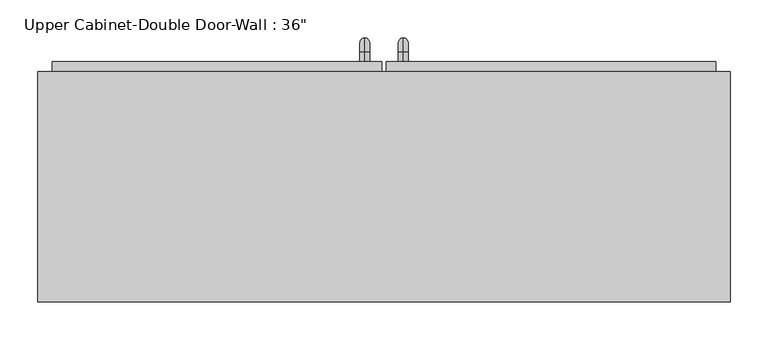
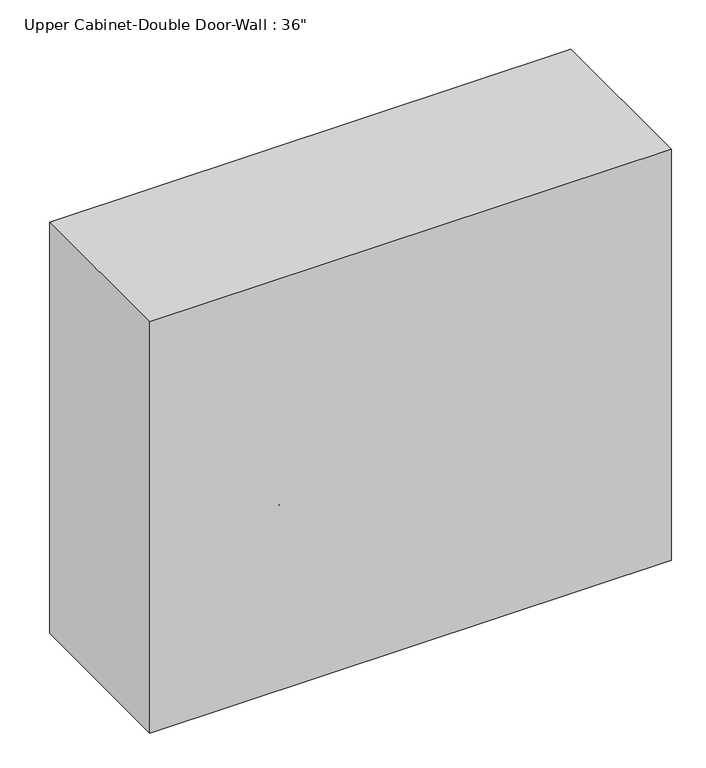
"""IFC4 building model written with IfcOpenShell, lengths in millimetres: furniture geometry."""

from ifc_helpers import new_model, si_unit, point, frame, origin, place, context, project, spatial, polyline, circle_curve, ellipse_curve, trimmed, outline, extrude, faceted_brep, source, transform, mapped, element, save
from ifc_brep_helpers import plane_surface, cylinder_surface, revolved_surface, advanced_brep


def furniture_c4085e4e(model_context):
    return source(origin(), model_context, "Body", "SolidModel", [
        faceted_brep([(-427.4288372, 50.8, 2133.6), (-427.4288372, 50.8, 1371.6), (486.9711628, 50.8, 1371.6), (486.9711628, 50.8, 2133.6), (-427.4288372, 355.6, 2133.6), (486.9711628, 355.6, 2133.6), (486.9711628, 355.6, 1371.6), (-427.4288372, 355.6, 1371.6), (-408.3788372, 355.6, 2114.55), (-408.3788372, 355.6, 1390.65), (467.9211628, 355.6, 1390.65), (467.9211628, 355.6, 2114.55), (467.9211628, 69.85, 2114.55), (-408.3788372, 69.85, 2114.55), (467.9211628, 69.85, 1390.65), (-408.3788372, 69.85, 1390.65)], [[[0, 1, 2, 3]], [[4, 5, 6, 7], [8, 9, 10, 11]], [[1, 0, 4, 7]], [[2, 1, 7, 6]], [[3, 2, 6, 5]], [[0, 3, 5, 4]], [[8, 11, 12, 13]], [[11, 10, 14, 12]], [[10, 9, 15, 14]], [[9, 8, 13, 15]], [[13, 12, 14, 15]]]),
        advanced_brep(
        [(55.1711628, 368.3, 1517.65), (55.1711628, 368.3, 1530.35), (55.1711628, 381.0, 1517.65), (55.1711628, 381.0, 1530.35), (55.1711628, 400.05, 1511.3), (55.1711628, 387.35, 1511.3), (55.1711628, 387.35, 1435.1), (55.1711628, 400.05, 1435.1), (55.1711628, 381.0, 1416.05), (55.1711628, 381.0, 1428.75), (55.1711628, 368.3, 1428.75), (55.1711628, 368.3, 1416.05)],
        [
            (0, 1, circle_curve(frame((55.1711628, 368.3, 1524.0), z_axis=(0.0, -1.0, 0.0), x_axis=(0.0, 0.0, -1.0)), 6.35)),
            (1, 0, circle_curve(frame((55.1711628, 368.3, 1524.0), z_axis=(0.0, -1.0, 0.0), x_axis=(0.0, 0.0, -1.0)), 6.35)),
            (0, 2),
            (2, 3, circle_curve(frame((55.1711628, 381.0, 1524.0), z_axis=(0.0, -1.0, 0.0), x_axis=(0.0, 0.0, -1.0)), 6.35)),
            (3, 1),
            (3, 2, circle_curve(frame((55.1711628, 381.0, 1524.0), z_axis=(0.0, -1.0, 0.0), x_axis=(0.0, 0.0, -1.0)), 6.35)),
            (4, 3, circle_curve(frame((55.1711628, 381.0, 1511.3), z_axis=(1.0, 0.0, 0.0), x_axis=(0.0, 0.0, 1.0)), 19.05)),
            (2, 5, circle_curve(frame((55.1711628, 381.0, 1511.3), z_axis=(-1.0, 0.0, 0.0), x_axis=(0.0, 0.0, 1.0)), 6.35)),
            (5, 4, circle_curve(frame((55.1711628, 393.7, 1511.3), z_axis=(0.0, 0.0, 1.0), x_axis=(0.0, -1.0, 0.0)), 6.35)),
            (4, 5, circle_curve(frame((55.1711628, 393.7, 1511.3), z_axis=(0.0, 0.0, 1.0), x_axis=(0.0, -1.0, 0.0)), 6.35)),
            (5, 6),
            (6, 7, circle_curve(frame((55.1711628, 393.7, 1435.1), z_axis=(0.0, 0.0, 1.0), x_axis=(0.0, -1.0, 0.0)), 6.35)),
            (7, 4),
            (7, 6, circle_curve(frame((55.1711628, 393.7, 1435.1), z_axis=(0.0, 0.0, 1.0), x_axis=(0.0, -1.0, 0.0)), 6.35)),
            (8, 7, circle_curve(frame((55.1711628, 381.0, 1435.1), z_axis=(1.0, 0.0, 0.0), x_axis=(0.0, 1.0, 0.0)), 19.05)),
            (6, 9, circle_curve(frame((55.1711628, 381.0, 1435.1), z_axis=(-1.0, 0.0, 0.0), x_axis=(0.0, 1.0, 0.0)), 6.35)),
            (9, 8, circle_curve(frame((55.1711628, 381.0, 1422.4), z_axis=(0.0, 1.0, 0.0), x_axis=(0.0, 0.0, 1.0)), 6.35)),
            (8, 9, circle_curve(frame((55.1711628, 381.0, 1422.4), z_axis=(0.0, 1.0, 0.0), x_axis=(0.0, 0.0, 1.0)), 6.35)),
            (10, 11, circle_curve(frame((55.1711628, 368.3, 1422.4), z_axis=(0.0, -1.0, 0.0), x_axis=(0.0, 0.0, 1.0)), 6.35)),
            (11, 10, circle_curve(frame((55.1711628, 368.3, 1422.4), z_axis=(0.0, -1.0, 0.0), x_axis=(0.0, 0.0, 1.0)), 6.35)),
            (9, 10),
            (11, 8),
        ],
        [
            plane_surface(frame((48.8211628, 368.3, 1524.0), z_axis=(0.0, -1.0, 0.0), x_axis=(0.0, 0.0, 1.0))),
            cylinder_surface(frame((55.1711628, 368.3, 1524.0), z_axis=(0.0, -1.0, 0.0), x_axis=(0.0, 0.0, -1.0)), 6.35),
            revolved_surface(trimmed(ellipse_curve(frame((55.1711628, 381.0, 1524.0), z_axis=(0.0, -1.0, 0.0), x_axis=(0.0, 0.0, -1.0)), 6.35, 6.35), [point((55.1711628, 381.0, 1517.65))], [point((55.1711628, 381.0, 1530.35))], True, "CARTESIAN"), (55.1711628, 381.0, 1511.3), (-1.0, 0.0, 0.0)),
            revolved_surface(trimmed(ellipse_curve(frame((55.1711628, 381.0, 1524.0), z_axis=(0.0, -1.0, 0.0), x_axis=(0.0, 0.0, -1.0)), 6.35, 6.35), [point((55.1711628, 381.0, 1530.35))], [point((55.1711628, 381.0, 1517.65))], True, "CARTESIAN"), (55.1711628, 381.0, 1511.3), (-1.0, 0.0, 0.0)),
            cylinder_surface(frame((55.1711628, 393.7, 1511.3), z_axis=(0.0, 0.0, 1.0), x_axis=(0.0, -1.0, 0.0)), 6.35),
            revolved_surface(trimmed(ellipse_curve(frame((55.1711628, 393.7, 1435.1), z_axis=(0.0, 0.0, 1.0), x_axis=(0.0, -1.0, 0.0)), 6.35, 6.35), [point((55.1711628, 387.35, 1435.1))], [point((55.1711628, 400.05, 1435.1))], True, "CARTESIAN"), (55.1711628, 381.0, 1435.1), (-1.0, 0.0, 0.0)),
            revolved_surface(trimmed(ellipse_curve(frame((55.1711628, 393.7, 1435.1), z_axis=(0.0, 0.0, 1.0), x_axis=(0.0, -1.0, 0.0)), 6.35, 6.35), [point((55.1711628, 400.05, 1435.1))], [point((55.1711628, 387.35, 1435.1))], True, "CARTESIAN"), (55.1711628, 381.0, 1435.1), (-1.0, 0.0, 0.0)),
            plane_surface(frame((48.8211628, 368.3, 1422.4), z_axis=(0.0, -1.0, 0.0), x_axis=(0.0, 0.0, -1.0))),
            cylinder_surface(frame((55.1711628, 381.0, 1422.4), z_axis=(0.0, 1.0, 0.0), x_axis=(0.0, 0.0, 1.0)), 6.35),
        ],
        [
            (0, [[1, 2]]),
            (1, [[-1, 3, 4, 5]]),
            (1, [[-2, -5, 6, -3]]),
            (2, [[7, -4, 8, 9]]),
            (3, [[-8, -6, -7, 10]]),
            (4, [[-9, 11, 12, 13]]),
            (4, [[-10, -13, 14, -11]]),
            (5, [[15, -12, 16, 17]]),
            (6, [[-16, -14, -15, 18]]),
            (7, [[19, 20]]),
            (8, [[-17, 21, -20, 22]]),
            (8, [[-18, -22, -19, -21]]),
        ],
    ),
        advanced_brep(
        [(4.3711628, 368.3, 1517.65), (4.3711628, 368.3, 1530.35), (4.3711628, 381.0, 1517.65), (4.3711628, 381.0, 1530.35), (4.3711628, 400.05, 1511.3), (4.3711628, 387.35, 1511.3), (4.3711628, 387.35, 1435.1), (4.3711628, 400.05, 1435.1), (4.3711628, 381.0, 1416.05), (4.3711628, 381.0, 1428.75), (4.3711628, 368.3, 1428.75), (4.3711628, 368.3, 1416.05)],
        [
            (0, 1, circle_curve(frame((4.3711628, 368.3, 1524.0), z_axis=(0.0, -1.0, 0.0), x_axis=(0.0, 0.0, 1.0)), 6.35)),
            (1, 0, circle_curve(frame((4.3711628, 368.3, 1524.0), z_axis=(0.0, -1.0, 0.0), x_axis=(0.0, 0.0, 1.0)), 6.35)),
            (0, 2),
            (2, 3, circle_curve(frame((4.3711628, 381.0, 1524.0), z_axis=(0.0, -1.0, 0.0), x_axis=(0.0, 0.0, 1.0)), 6.35)),
            (3, 1),
            (3, 2, circle_curve(frame((4.3711628, 381.0, 1524.0), z_axis=(0.0, -1.0, 0.0), x_axis=(0.0, 0.0, 1.0)), 6.35)),
            (4, 3, circle_curve(frame((4.3711628, 381.0, 1511.3), z_axis=(1.0, 0.0, 0.0), x_axis=(0.0, 0.0, 1.0)), 19.05)),
            (2, 5, circle_curve(frame((4.3711628, 381.0, 1511.3), z_axis=(-1.0, 0.0, 0.0), x_axis=(0.0, 0.0, 1.0)), 6.35)),
            (5, 4, circle_curve(frame((4.3711628, 393.7, 1511.3), z_axis=(0.0, 0.0, 1.0), x_axis=(0.0, 1.0, 0.0)), 6.35)),
            (4, 5, circle_curve(frame((4.3711628, 393.7, 1511.3), z_axis=(0.0, 0.0, 1.0), x_axis=(0.0, 1.0, 0.0)), 6.35)),
            (5, 6),
            (6, 7, circle_curve(frame((4.3711628, 393.7, 1435.1), z_axis=(0.0, 0.0, 1.0), x_axis=(0.0, 1.0, 0.0)), 6.35)),
            (7, 4),
            (7, 6, circle_curve(frame((4.3711628, 393.7, 1435.1), z_axis=(0.0, 0.0, 1.0), x_axis=(0.0, 1.0, 0.0)), 6.35)),
            (8, 7, circle_curve(frame((4.3711628, 381.0, 1435.1), z_axis=(1.0, 0.0, 0.0), x_axis=(0.0, 1.0, 0.0)), 19.05)),
            (6, 9, circle_curve(frame((4.3711628, 381.0, 1435.1), z_axis=(-1.0, 0.0, 0.0), x_axis=(0.0, 1.0, 0.0)), 6.35)),
            (9, 8, circle_curve(frame((4.3711628, 381.0, 1422.4), z_axis=(0.0, 1.0, 0.0), x_axis=(0.0, 0.0, -1.0)), 6.35)),
            (8, 9, circle_curve(frame((4.3711628, 381.0, 1422.4), z_axis=(0.0, 1.0, 0.0), x_axis=(0.0, 0.0, -1.0)), 6.35)),
            (10, 11, circle_curve(frame((4.3711628, 368.3, 1422.4), z_axis=(0.0, -1.0, 0.0), x_axis=(0.0, 0.0, -1.0)), 6.35)),
            (11, 10, circle_curve(frame((4.3711628, 368.3, 1422.4), z_axis=(0.0, -1.0, 0.0), x_axis=(0.0, 0.0, -1.0)), 6.35)),
            (9, 10),
            (11, 8),
        ],
        [
            plane_surface(frame((-1.9788372, 368.3, 1524.0), z_axis=(0.0, -1.0, 0.0), x_axis=(0.0, 0.0, 1.0))),
            cylinder_surface(frame((4.3711628, 368.3, 1524.0), z_axis=(0.0, -1.0, 0.0), x_axis=(0.0, 0.0, 1.0)), 6.35),
            revolved_surface(trimmed(ellipse_curve(frame((4.3711628, 381.0, 1524.0), z_axis=(0.0, -1.0, 0.0), x_axis=(0.0, 0.0, 1.0)), 6.35, 6.35), [point((4.3711628, 381.0, 1517.65))], [point((4.3711628, 381.0, 1530.35))], True, "CARTESIAN"), (4.3711628, 381.0, 1511.3), (-1.0, 0.0, 0.0)),
            revolved_surface(trimmed(ellipse_curve(frame((4.3711628, 381.0, 1524.0), z_axis=(0.0, -1.0, 0.0), x_axis=(0.0, 0.0, 1.0)), 6.35, 6.35), [point((4.3711628, 381.0, 1530.35))], [point((4.3711628, 381.0, 1517.65))], True, "CARTESIAN"), (4.3711628, 381.0, 1511.3), (-1.0, 0.0, 0.0)),
            cylinder_surface(frame((4.3711628, 393.7, 1511.3), z_axis=(0.0, 0.0, 1.0), x_axis=(0.0, 1.0, 0.0)), 6.35),
            revolved_surface(trimmed(ellipse_curve(frame((4.3711628, 393.7, 1435.1), z_axis=(0.0, 0.0, 1.0), x_axis=(0.0, 1.0, 0.0)), 6.35, 6.35), [point((4.3711628, 387.35, 1435.1))], [point((4.3711628, 400.05, 1435.1))], True, "CARTESIAN"), (4.3711628, 381.0, 1435.1), (-1.0, 0.0, 0.0)),
            revolved_surface(trimmed(ellipse_curve(frame((4.3711628, 393.7, 1435.1), z_axis=(0.0, 0.0, 1.0), x_axis=(0.0, 1.0, 0.0)), 6.35, 6.35), [point((4.3711628, 400.05, 1435.1))], [point((4.3711628, 387.35, 1435.1))], True, "CARTESIAN"), (4.3711628, 381.0, 1435.1), (-1.0, 0.0, 0.0)),
            plane_surface(frame((-1.9788372, 368.3, 1422.4), z_axis=(0.0, -1.0, 0.0), x_axis=(0.0, 0.0, -1.0))),
            cylinder_surface(frame((4.3711628, 381.0, 1422.4), z_axis=(0.0, 1.0, 0.0), x_axis=(0.0, 0.0, -1.0)), 6.35),
        ],
        [
            (0, [[1, 2]]),
            (1, [[-1, 3, 4, 5]]),
            (1, [[-2, -5, 6, -3]]),
            (2, [[7, -4, 8, 9]]),
            (3, [[-8, -6, -7, 10]]),
            (4, [[-9, 11, 12, 13]]),
            (4, [[-10, -13, 14, -11]]),
            (5, [[15, -12, 16, 17]]),
            (6, [[-16, -14, -15, 18]]),
            (7, [[19, 20]]),
            (8, [[-17, 21, -20, 22]]),
            (8, [[-18, -22, -19, -21]]),
        ],
    ),
        extrude(outline(polyline([(32.9461628, 368.3), (467.9211628, 368.3), (467.9211628, 336.55), (32.9461628, 336.55), (32.9461628, 368.3)])), frame((0.0, 0.0, 1390.65), z_axis=(0.0, 0.0, 1.0), x_axis=(1.0, 0.0, 0.0)), (0.0, 0.0, 1.0), 723.9),
        extrude(outline(polyline([(-408.3788372, 368.3), (26.5961628, 368.3), (26.5961628, 336.55), (-408.3788372, 336.55), (-408.3788372, 368.3)])), frame((0.0, 0.0, 1390.65), z_axis=(0.0, 0.0, 1.0), x_axis=(1.0, 0.0, 0.0)), (0.0, 0.0, 1.0), 723.9),
    ])


if __name__ == "__main__":
    model = new_model("IFC4")
    model_context = context("Model", 3, world=origin())
    ifc_project = project(units=[si_unit("LENGTHUNIT", "METRE", prefix="MILLI")], contexts=[model_context])
    site = spatial("IfcSite", under=ifc_project)
    building = spatial("IfcBuilding", under=site)
    placement = place(None, origin())
    furniture_shape = furniture_c4085e4e(model_context)
    element("IfcFurniture", 1, ObjectType="Upper Cabinet-Double Door-Wall : 36\"", at=placement, inside=building, context=model_context, shape_type="MappedRepresentation", body=[
        mapped(furniture_shape, transform((0.0, 0.0, 0.0), x_axis=(1.0, 0.0, 0.0), y_axis=(0.0, 1.0, 0.0), z_axis=(0.0, 0.0, 1.0))),
    ])
    save(model, "model.ifc")
